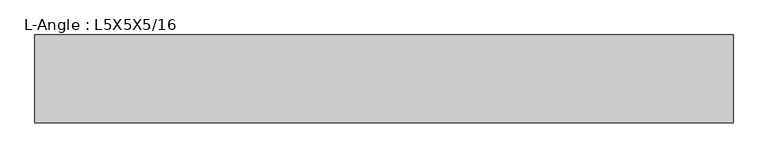
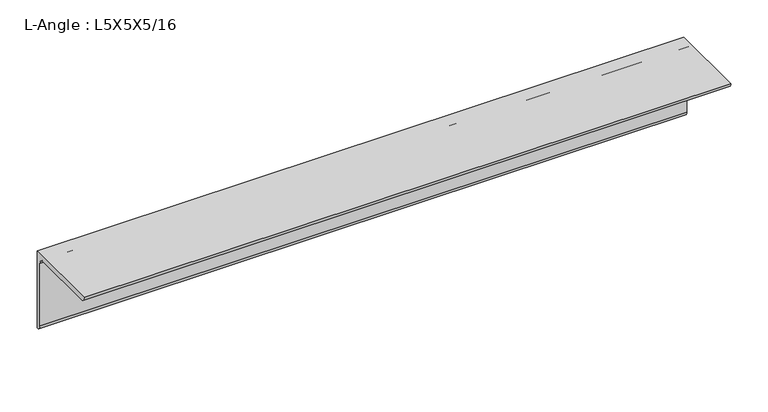
"""IFC4 building model written with IfcOpenShell, lengths in millimetres: beam geometry, L-Angle : L5X5X5/16."""

import ifcopenshell
import ifcopenshell.guid

model = None  # the IFC model being written
_history = None  # IfcOwnerHistory: only IFC2X3 demands one
_inside = {}  # id of a spatial element -> (the spatial element, [elements in it])
_under = {}  # id of a project, library or spatial element -> (it, [spatial elements below it])
_declared = {}  # id of a project -> (the project, [libraries it declares])
_typed = {}  # id of a type object -> (the type object, [elements of that type])
_made_of = {}  # id of a material, layer set ... -> (it, [elements and type objects made of it])


def new_model(schema):
    """Start an empty IFC model of exactly this schema.

    Asked for "IFC4X3", IfcOpenShell would pick the latest addendum, in which some entities
    have other attributes; the version numbers below select the first issue.
    IFC2X3 requires an IfcOwnerHistory on every rooted entity: one is made here for all.
    """
    global model, _history
    if schema == "IFC4X3":
        model = ifcopenshell.file(schema_version=(4, 3, 0, 0))
    else:
        model = ifcopenshell.file(schema=schema)
    _inside.clear()
    _under.clear()
    _declared.clear()
    _typed.clear()
    _made_of.clear()
    _history = None
    if model.schema == "IFC2X3":
        org = make("IfcOrganization", Name="unknown")
        user = make(
            "IfcPersonAndOrganization",
            ThePerson=make("IfcPerson", FamilyName="unknown"),
            TheOrganization=org,
        )
        app = make(
            "IfcApplication",
            ApplicationDeveloper=org,
            Version="unknown",
            ApplicationFullName="unknown",
            ApplicationIdentifier="unknown",
        )
        _history = make(
            "IfcOwnerHistory",
            OwningUser=user,
            OwningApplication=app,
            ChangeAction="ADDED",
            CreationDate=0,
        )
    return model


def make(cls, **values):
    """One entity of the class cls with the attributes given. An attribute that is None is left unset."""
    return model.create_entity(
        cls, **{name: value for name, value in values.items() if value is not None}
    )


def rooted(cls, **values):
    """An entity with a GlobalId (a new one), such as an element, a storey or a relation."""
    return make(cls, GlobalId=ifcopenshell.guid.new(), OwnerHistory=_history, **values)


def si_unit(unit_type, name, prefix=None):
    """IfcSIUnit, for example si_unit("LENGTHUNIT", "METRE", prefix="MILLI")."""
    return make("IfcSIUnit", UnitType=unit_type, Prefix=prefix, Name=name)


def assignment(units):
    """IfcUnitAssignment: the units of a project."""
    return None if units is None else make("IfcUnitAssignment", Units=units)


def point(xyz):
    """IfcCartesianPoint."""
    return None if xyz is None else make("IfcCartesianPoint", Coordinates=xyz)


def direction(xyz):
    """IfcDirection."""
    return None if xyz is None else make("IfcDirection", DirectionRatios=xyz)


def frame(location, z_axis=None, x_axis=None):
    """IfcAxis2Placement3D, a coordinate frame: its origin and axes. An axis left out is left unset."""
    return make(
        "IfcAxis2Placement3D",
        Location=point(location),
        Axis=direction(z_axis),
        RefDirection=direction(x_axis),
    )


def frame_2d(location, x_axis=None):
    """IfcAxis2Placement2D, a coordinate frame in the plane: its origin and x axis."""
    return make(
        "IfcAxis2Placement2D", Location=point(location), RefDirection=direction(x_axis)
    )


def origin():
    """The frame at (0, 0, 0) with its axes left unset."""
    return frame((0.0, 0.0, 0.0))


def place(relative_to, where):
    """IfcLocalPlacement: puts the frame where relative to a parent placement (None: the world)."""
    return make(
        "IfcLocalPlacement", PlacementRelTo=relative_to, RelativePlacement=where
    )


def context(
    kind, dimensions, precision=None, world=None, true_north=None, identifier=None
):
    """IfcGeometricRepresentationContext, for example the 3D "Model" context."""
    return make(
        "IfcGeometricRepresentationContext",
        ContextIdentifier=identifier,
        ContextType=kind,
        CoordinateSpaceDimension=dimensions,
        Precision=precision,
        WorldCoordinateSystem=world,
        TrueNorth=true_north,
    )


def project(units=None, contexts=None):
    """IfcProject with its units and contexts."""
    return rooted(
        "IfcProject",
        Name="project",
        RepresentationContexts=contexts,
        UnitsInContext=assignment(units),
    )


def spatial(cls, under=None, at=None, **own):
    """A site, building, storey or space (cls), placed at a placement, below another one or the project."""
    s = rooted(cls, ObjectPlacement=at, **own)
    if under is not None:
        _under.setdefault(under.id(), (under, []))[1].append(s)
    return s


def polyline(points):
    """IfcPolyline through the points."""
    return make("IfcPolyline", Points=[point(p) for p in points])


def circle_curve(where, radius):
    """IfcCircle in the frame where."""
    return make("IfcCircle", Position=where, Radius=radius)


def trimmed(basis, trim1, trim2, sense, master):
    """IfcTrimmedCurve: the piece of a basis curve between two trims."""
    return make(
        "IfcTrimmedCurve",
        BasisCurve=basis,
        Trim1=trim1,
        Trim2=trim2,
        SenseAgreement=sense,
        MasterRepresentation=master,
    )


def segment(curve, same_sense, transition):
    """IfcCompositeCurveSegment."""
    return make(
        "IfcCompositeCurveSegment",
        Transition=transition,
        SameSense=same_sense,
        ParentCurve=curve,
    )


def composite_curve(segments, self_intersect=None):
    """IfcCompositeCurve: segments joined end to end."""
    return make("IfcCompositeCurve", Segments=segments, SelfIntersect=self_intersect)


def outline(outer, holes=None, kind="AREA"):
    """IfcArbitraryClosedProfileDef: a profile drawn as a closed curve; with holes, ...WithVoids."""
    if holes is None:
        return make("IfcArbitraryClosedProfileDef", ProfileType=kind, OuterCurve=outer)
    return make(
        "IfcArbitraryProfileDefWithVoids",
        ProfileType=kind,
        OuterCurve=outer,
        InnerCurves=holes,
    )


def extrude(swept, where, along, depth):
    """IfcExtrudedAreaSolid: the profile swept, set in the frame where, extruded along a direction by depth."""
    return make(
        "IfcExtrudedAreaSolid",
        SweptArea=swept,
        Position=where,
        ExtrudedDirection=direction(along),
        Depth=depth,
    )


def shape(context_of_items, identifier, shape_type, items):
    """IfcShapeRepresentation: the items that make up one representation, for example the "Body"."""
    return make(
        "IfcShapeRepresentation",
        ContextOfItems=context_of_items,
        RepresentationIdentifier=identifier,
        RepresentationType=shape_type,
        Items=items,
    )


def source(mapping_origin, context_of_items, identifier, shape_type, items):
    """IfcRepresentationMap: a shape defined once, which mapped items show again and again."""
    return make(
        "IfcRepresentationMap",
        MappingOrigin=mapping_origin,
        MappedRepresentation=shape(context_of_items, identifier, shape_type, items),
    )


def transform(
    local_origin,
    x_axis=None,
    y_axis=None,
    z_axis=None,
    scale=None,
    scale2=None,
    scale3=None,
    uniform=True,
):
    """IfcCartesianTransformationOperator3D, or its non-uniform kind. x_axis, y_axis, z_axis: its Axis1, 2, 3."""
    if uniform:
        return make(
            "IfcCartesianTransformationOperator3D",
            Axis1=direction(x_axis),
            Axis2=direction(y_axis),
            LocalOrigin=point(local_origin),
            Scale=scale,
            Axis3=direction(z_axis),
        )
    return make(
        "IfcCartesianTransformationOperator3DnonUniform",
        Axis1=direction(x_axis),
        Axis2=direction(y_axis),
        LocalOrigin=point(local_origin),
        Scale=scale,
        Axis3=direction(z_axis),
        Scale2=scale2,
        Scale3=scale3,
    )


def mapped(mapping_source, mapping_target):
    """IfcMappedItem: shows the shape of a source again, moved by a transform."""
    return make(
        "IfcMappedItem", MappingSource=mapping_source, MappingTarget=mapping_target
    )


def made_of(thing, what):
    """Note that an element or type object is made of a material, layer set ...; save() writes the relation."""
    if what is not None:
        _made_of.setdefault(what.id(), (what, []))[1].append(thing)
    return thing


def element(
    cls,
    number,
    at=None,
    inside=None,
    cuts=None,
    type_object=None,
    material=None,
    context=None,
    identifier="Body",
    shape_type=None,
    held_by="IfcProductDefinitionShape",
    body=None,
    shapes=None,
    **own,
):
    """One element of the class cls, such as IfcWall. Its Tag is "e" and its number.

    at: its placement. inside: the storey or other place that contains it. cuts: it is an
    opening in that element (IfcRelVoidsElement). A single representation is given by context,
    identifier, shape_type and body (its items); several are given by shapes. held_by: the class
    of the entity that holds the representations. save() writes the other relations.
    """
    e = rooted(cls, Tag="e%d" % number, ObjectPlacement=at, **own)
    if body is not None:
        shapes = [shape(context, identifier, shape_type, body)]
    if shapes is not None:
        e.Representation = make(held_by, Representations=shapes)
    if inside is not None:
        _inside.setdefault(inside.id(), (inside, []))[1].append(e)
    if cuts is not None:
        rooted(
            "IfcRelVoidsElement", RelatingBuildingElement=cuts, RelatedOpeningElement=e
        )
    if type_object is not None:
        _typed.setdefault(type_object.id(), (type_object, []))[1].append(e)
    return made_of(e, material)


def aggregate(whole, parts):
    """IfcRelAggregates: a whole, such as a stair, and the parts it consists of."""
    return rooted("IfcRelAggregates", RelatingObject=whole, RelatedObjects=parts)


def save(model, path):
    """Write the relations noted so far, then the file.

    IfcRelAggregates (storeys below a building ...), IfcRelContainedInSpatialStructure (elements
    in a storey), IfcRelDefinesByType, IfcRelAssociatesMaterial and IfcRelDeclares: one each for
    every whole, place, type object, material and project.
    """
    for whole, parts in _under.values():
        aggregate(whole, parts)
    for where, things in _inside.values():
        rooted(
            "IfcRelContainedInSpatialStructure",
            RelatedElements=things,
            RelatingStructure=where,
        )
    for kind, things in _typed.values():
        rooted("IfcRelDefinesByType", RelatedObjects=things, RelatingType=kind)
    for what, things in _made_of.values():
        rooted("IfcRelAssociatesMaterial", RelatedObjects=things, RelatingMaterial=what)
    for by, libraries in _declared.values():
        rooted("IfcRelDeclares", RelatingContext=by, RelatedDefinitions=libraries)
    model.write(path)


def l_angle_l5x5x5_16_36b2cbeb(model_context):
    return source(origin(), model_context, "Body", "SweptSolid", [
        extrude(outline(composite_curve([segment(polyline([(34.3296875, 34.3296875), (34.3296875, -92.6703125)]), True, "CONTINUOUS"), segment(trimmed(circle_curve(frame_2d((34.3296875, -84.7328125)), 7.9375), [point((34.3296875, -92.6703125))], [point((26.3921875, -84.7328125))], False, "CARTESIAN"), True, "CONTINUOUS"), segment(polyline([(26.3921875, -84.7328125), (26.3921875, 18.4546875)]), True, "CONTINUOUS"), segment(trimmed(circle_curve(frame_2d((18.4546875, 18.4546875)), 7.9375), [point((26.3921875, 18.4546875))], [point((18.4546875, 26.3921875))], True, "CARTESIAN"), True, "CONTINUOUS"), segment(polyline([(18.4546875, 26.3921875), (-84.7328125, 26.3921875)]), True, "CONTINUOUS"), segment(trimmed(circle_curve(frame_2d((-84.7328125, 34.3296875)), 7.9375), [point((-84.7328125, 26.3921875))], [point((-92.6703125, 34.3296875))], False, "CARTESIAN"), True, "CONTINUOUS"), segment(polyline([(-92.6703125, 34.3296875), (34.3296875, 34.3296875)]), True, "CONTINUOUS")], self_intersect=False)), frame((-504.2296875, 0.0, 0.0), z_axis=(1.0, 0.0, 0.0), x_axis=(0.0, 1.0, 0.0)), (0.0, 0.0, 1.0), 1008.459375),
    ])


if __name__ == "__main__":
    model = new_model("IFC4")
    model_context = context("Model", 3, world=origin())
    ifc_project = project(units=[si_unit("LENGTHUNIT", "METRE", prefix="MILLI")], contexts=[model_context])
    site = spatial("IfcSite", under=ifc_project)
    building = spatial("IfcBuilding", under=site)
    placement = place(None, origin())
    l_angle_l5x5x5_16_shape = l_angle_l5x5x5_16_36b2cbeb(model_context)
    element("IfcBeam", 1, ObjectType="L-Angle : L5X5X5/16", at=placement, inside=building, context=model_context, shape_type="MappedRepresentation", body=[
        mapped(l_angle_l5x5x5_16_shape, transform((0.0, 0.0, 0.0), x_axis=(1.0, 0.0, 0.0), y_axis=(0.0, 1.0, 0.0), z_axis=(0.0, 0.0, 1.0))),
    ])
    save(model, "model.ifc")
